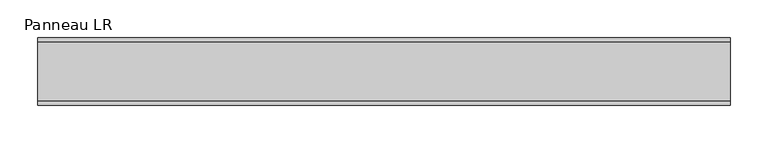
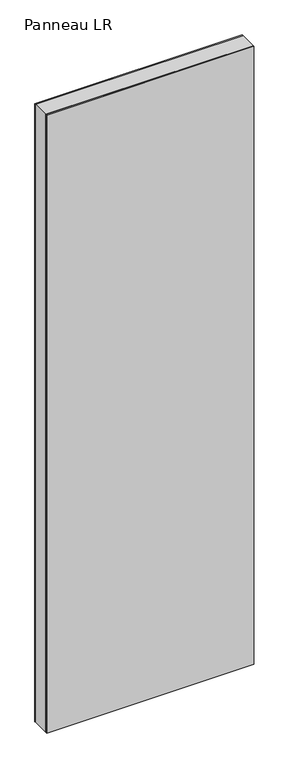
"""IFC4 building model written with IfcOpenShell, lengths in millimetres: plate geometry, Panneau LR."""

from ifc_helpers import new_model, si_unit, frame, origin, origin_with_axes, place, context, project, spatial, polyline, outline, extrude, source, transform, mapped, element, save


def panneau_lr_1de9552a(model_context):
    return source(origin(), model_context, "Body", "SweptSolid", [
        extrude(outline(polyline([(2910.0, 461.7520247), (2910.0, -461.7520247), (0.0, -461.7520247), (0.0, 461.7520247), (2910.0, 461.7520247)]), holes=[polyline([(30.0, -421.7520247), (2884.0, -421.7520247), (2884.0, 421.7520247), (30.0, 421.7520247), (30.0, -421.7520247)])]), frame((0.0, -39.0, 0.0), z_axis=(0.0, 1.0, 0.0), x_axis=(0.0, 0.0, 1.0)), (0.0, 0.0, 1.0), 78.0),
        extrude(outline(polyline([(461.7520247, 39.0), (-461.7520247, 39.0), (-461.7520247, 45.0), (461.7520247, 45.0), (461.7520247, 39.0)])), origin_with_axes(), (0.0, 0.0, 1.0), 2910.0),
        extrude(outline(polyline([(-461.7520247, -45.0), (-461.7520247, -39.0), (461.7520247, -39.0), (461.7520247, -45.0), (-461.7520247, -45.0)])), origin_with_axes(), (0.0, 0.0, 1.0), 2910.0),
    ])


if __name__ == "__main__":
    model = new_model("IFC4")
    model_context = context("Model", 3, world=origin())
    ifc_project = project(units=[si_unit("LENGTHUNIT", "METRE", prefix="MILLI")], contexts=[model_context])
    site = spatial("IfcSite", under=ifc_project)
    building = spatial("IfcBuilding", under=site)
    placement = place(None, origin())
    panneau_lr_shape = panneau_lr_1de9552a(model_context)
    element("IfcPlate", 1, ObjectType="Panneau LR", at=placement, inside=building, context=model_context, shape_type="MappedRepresentation", body=[
        mapped(panneau_lr_shape, transform((0.0, 0.0, 0.0), x_axis=(1.0, 0.0, 0.0), y_axis=(0.0, 1.0, 0.0), z_axis=(0.0, 0.0, 1.0))),
    ])
    save(model, "model.ifc")
